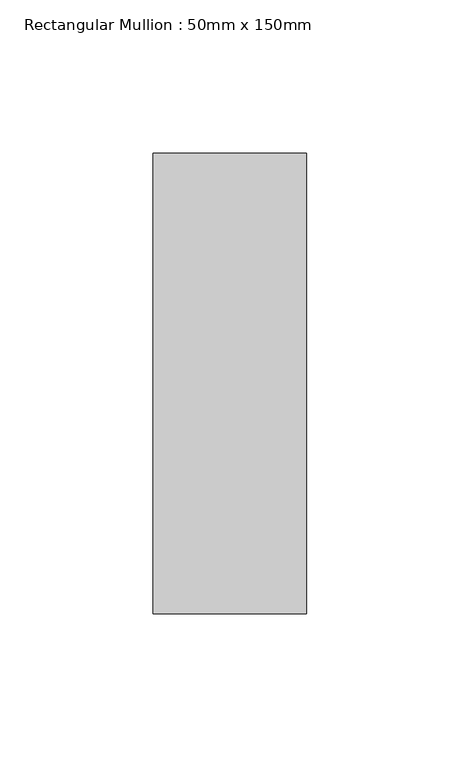
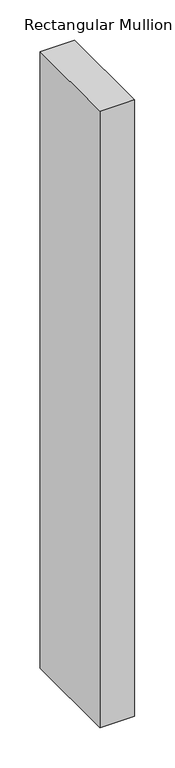
"""IFC4 building model written with IfcOpenShell, lengths in millimetres: member geometry, Rectangular Mullion : 50mm x 150mm."""

from ifc_helpers import new_model, si_unit, frame, origin, place, context, project, spatial, polyline, outline, extrude, source, transform, mapped, element, save


def rectangular_mullion_50mm_x_150mm_ee87860e(model_context):
    return source(origin(), model_context, "Body", "SweptSolid", [
        extrude(outline(polyline([(0.0, 75.0), (0.0, -75.0), (-50.0, -75.0), (-50.0, 75.0), (0.0, 75.0)])), frame((0.0, 0.0, -938.3333333), z_axis=(0.0, 0.0, 1.0), x_axis=(1.0, 0.0, 0.0)), (0.0, 0.0, 1.0), 938.3333333),
    ])


if __name__ == "__main__":
    model = new_model("IFC4")
    model_context = context("Model", 3, world=origin())
    ifc_project = project(units=[si_unit("LENGTHUNIT", "METRE", prefix="MILLI")], contexts=[model_context])
    site = spatial("IfcSite", under=ifc_project)
    building = spatial("IfcBuilding", under=site)
    placement = place(None, origin())
    rectangular_mullion_50mm_x_150mm_shape = rectangular_mullion_50mm_x_150mm_ee87860e(model_context)
    element("IfcMember", 1, ObjectType="Rectangular Mullion : 50mm x 150mm", at=placement, inside=building, context=model_context, shape_type="MappedRepresentation", body=[
        mapped(rectangular_mullion_50mm_x_150mm_shape, transform((0.0, 0.0, 0.0), x_axis=(1.0, 0.0, 0.0), y_axis=(0.0, 1.0, 0.0), z_axis=(0.0, 0.0, 1.0))),
    ])
    save(model, "model.ifc")
